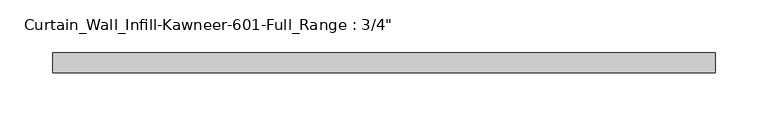
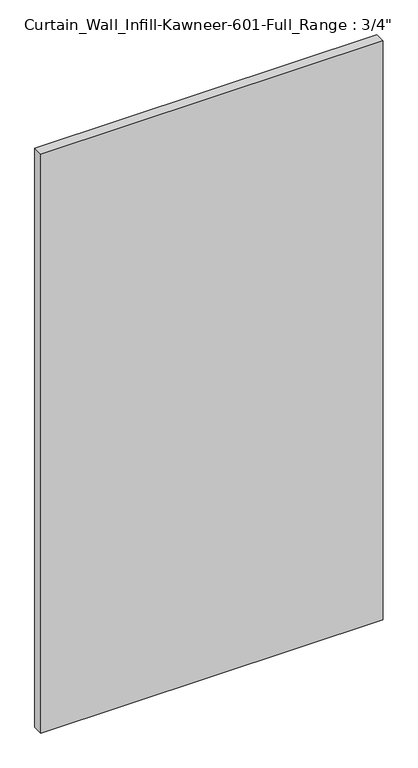
"""IFC4 building model written with IfcOpenShell, lengths in millimetres: plate geometry."""

from ifc_helpers import new_model, si_unit, origin, origin_with_axes, place, context, project, spatial, polyline, outline, extrude, source, transform, mapped, element, save


def plate_d57853d7(model_context):
    return source(origin(), model_context, "Body", "SweptSolid", [
        extrude(outline(polyline([(-314.325, 14.2875), (314.325, 14.2875), (314.325, -4.7625), (-314.325, -4.7625), (-314.325, 14.2875)])), origin_with_axes(), (0.0, 0.0, 1.0), 1123.95),
    ])


if __name__ == "__main__":
    model = new_model("IFC4")
    model_context = context("Model", 3, world=origin())
    ifc_project = project(units=[si_unit("LENGTHUNIT", "METRE", prefix="MILLI")], contexts=[model_context])
    site = spatial("IfcSite", under=ifc_project)
    building = spatial("IfcBuilding", under=site)
    placement = place(None, origin())
    plate_shape = plate_d57853d7(model_context)
    element("IfcPlate", 1, ObjectType="Curtain_Wall_Infill-Kawneer-601-Full_Range : 3/4\"", at=placement, inside=building, context=model_context, shape_type="MappedRepresentation", body=[
        mapped(plate_shape, transform((0.0, 0.0, 0.0), x_axis=(1.0, 0.0, 0.0), y_axis=(0.0, 1.0, 0.0), z_axis=(0.0, 0.0, 1.0))),
    ])
    save(model, "model.ifc")
